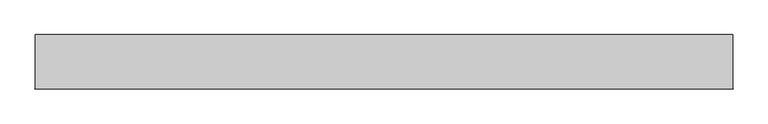
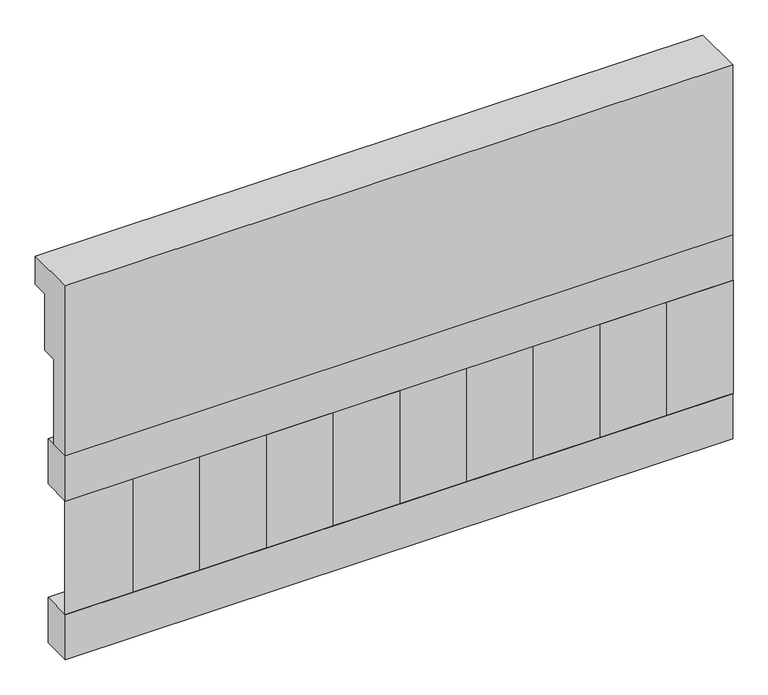
"""IFC4 building model written with IfcOpenShell, lengths in millimetres: railing geometry."""

from ifc_helpers import new_model, si_unit, frame, origin, place, context, project, spatial, polyline, outline, extrude, source, transform, mapped, element, save


def railing_af87f56a(model_context):
    return source(origin(), model_context, "Body", "SweptSolid", [
        extrude(outline(polyline([(903.1079487, 21800.0), (1033.1079487, 21800.0), (1033.1079487, 21725.0), (993.1079487, 21725.0), (993.1079487, 21575.0), (953.1079487, 21575.0), (953.1079487, 21350.0), (903.1079487, 21350.0), (903.1079487, 21800.0)])), frame((33090.0112841, 0.0, 0.0), z_axis=(1.0, 0.0, 0.0), x_axis=(0.0, 1.0, 0.0)), (0.0, 0.0, 1.0), 1670.0),
        extrude(outline(polyline([(34760.0112841, 978.1079487), (34760.0112841, 903.1079487), (33090.0112841, 903.1079487), (33090.0112841, 978.1079487), (34760.0112841, 978.1079487)])), frame((0.0, 0.0, 21230.0), z_axis=(0.0, 0.0, 1.0), x_axis=(1.0, 0.0, 0.0)), (0.0, 0.0, 1.0), 120.0),
        extrude(outline(polyline([(34760.0112841, 978.1079487), (34760.0112841, 903.1079487), (33090.0112841, 903.1079487), (33090.0112841, 978.1079487), (34760.0112841, 978.1079487)])), frame((0.0, 0.0, 20810.0), z_axis=(0.0, 0.0, 1.0), x_axis=(1.0, 0.0, 0.0)), (0.0, 0.0, 1.0), 120.0),
        extrude(outline(polyline([(33173.5112841, 987.9607624), (33258.3640978, 903.1079487), (33088.6584704, 903.1079487), (33173.5112841, 987.9607624)])), frame((0.0, 0.0, 20930.0), z_axis=(0.0, 0.0, 1.0), x_axis=(1.0, 0.0, 0.0)), (0.0, 0.0, 1.0), 300.0),
        extrude(outline(polyline([(33340.5112841, 987.9607624), (33425.3640978, 903.1079487), (33255.6584704, 903.1079487), (33340.5112841, 987.9607624)])), frame((0.0, 0.0, 20930.0), z_axis=(0.0, 0.0, 1.0), x_axis=(1.0, 0.0, 0.0)), (0.0, 0.0, 1.0), 300.0),
        extrude(outline(polyline([(33507.5112841, 987.9607624), (33592.3640978, 903.1079487), (33422.6584704, 903.1079487), (33507.5112841, 987.9607624)])), frame((0.0, 0.0, 20930.0), z_axis=(0.0, 0.0, 1.0), x_axis=(1.0, 0.0, 0.0)), (0.0, 0.0, 1.0), 300.0),
        extrude(outline(polyline([(33674.5112841, 987.9607624), (33759.3640978, 903.1079487), (33589.6584704, 903.1079487), (33674.5112841, 987.9607624)])), frame((0.0, 0.0, 20930.0), z_axis=(0.0, 0.0, 1.0), x_axis=(1.0, 0.0, 0.0)), (0.0, 0.0, 1.0), 300.0),
        extrude(outline(polyline([(33841.5112841, 987.9607624), (33926.3640978, 903.1079487), (33756.6584704, 903.1079487), (33841.5112841, 987.9607624)])), frame((0.0, 0.0, 20930.0), z_axis=(0.0, 0.0, 1.0), x_axis=(1.0, 0.0, 0.0)), (0.0, 0.0, 1.0), 300.0),
        extrude(outline(polyline([(34008.5112841, 987.9607624), (34093.3640978, 903.1079487), (33923.6584704, 903.1079487), (34008.5112841, 987.9607624)])), frame((0.0, 0.0, 20930.0), z_axis=(0.0, 0.0, 1.0), x_axis=(1.0, 0.0, 0.0)), (0.0, 0.0, 1.0), 300.0),
        extrude(outline(polyline([(34175.5112841, 987.9607624), (34260.3640978, 903.1079487), (34090.6584704, 903.1079487), (34175.5112841, 987.9607624)])), frame((0.0, 0.0, 20930.0), z_axis=(0.0, 0.0, 1.0), x_axis=(1.0, 0.0, 0.0)), (0.0, 0.0, 1.0), 300.0),
        extrude(outline(polyline([(34342.5112841, 987.9607624), (34427.3640978, 903.1079487), (34257.6584704, 903.1079487), (34342.5112841, 987.9607624)])), frame((0.0, 0.0, 20930.0), z_axis=(0.0, 0.0, 1.0), x_axis=(1.0, 0.0, 0.0)), (0.0, 0.0, 1.0), 300.0),
        extrude(outline(polyline([(34509.5112841, 987.9607624), (34594.3640978, 903.1079487), (34424.6584704, 903.1079487), (34509.5112841, 987.9607624)])), frame((0.0, 0.0, 20930.0), z_axis=(0.0, 0.0, 1.0), x_axis=(1.0, 0.0, 0.0)), (0.0, 0.0, 1.0), 300.0),
        extrude(outline(polyline([(34676.5112841, 987.9607624), (34761.3640978, 903.1079487), (34591.6584704, 903.1079487), (34676.5112841, 987.9607624)])), frame((0.0, 0.0, 20930.0), z_axis=(0.0, 0.0, 1.0), x_axis=(1.0, 0.0, 0.0)), (0.0, 0.0, 1.0), 300.0),
    ])


if __name__ == "__main__":
    model = new_model("IFC4")
    model_context = context("Model", 3, world=origin())
    ifc_project = project(units=[si_unit("LENGTHUNIT", "METRE", prefix="MILLI")], contexts=[model_context])
    site = spatial("IfcSite", under=ifc_project)
    building = spatial("IfcBuilding", under=site)
    placement = place(None, origin())
    railing_shape = railing_af87f56a(model_context)
    element("IfcRailing", 1, at=placement, inside=building, context=model_context, shape_type="MappedRepresentation", body=[
        mapped(railing_shape, transform((0.0, 0.0, 0.0), x_axis=(1.0, 0.0, 0.0), y_axis=(0.0, 1.0, 0.0), z_axis=(0.0, 0.0, 1.0))),
    ])
    save(model, "model.ifc")
